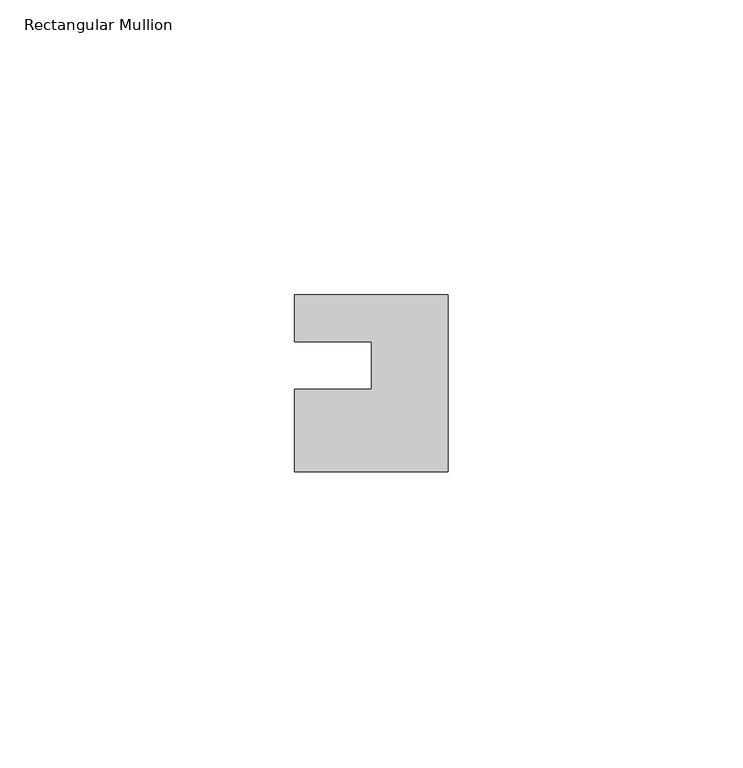
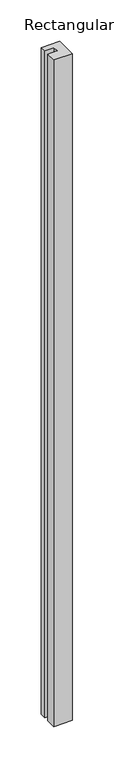
"""IFC4 building model written with IfcOpenShell, lengths in millimetres: member geometry, Rectangular Mullion."""

from ifc_helpers import new_model, si_unit, frame, origin, place, context, project, spatial, polyline, outline, extrude, source, transform, mapped, element, save


def rectangular_mullion_f5b78d87(model_context):
    return source(origin(), model_context, "Body", "SweptSolid", [
        extrude(outline(polyline([(-26.0, 0.001), (-26.0, 7.94), (0.0, 7.94), (0.0, -22.06), (-26.0, -22.06), (-26.0, -8.0), (-13.0, -8.0), (-13.0, 0.001), (-26.0, 0.001)])), frame((0.0, 0.0, -984.0), z_axis=(0.0, 0.0, 1.0), x_axis=(1.0, 0.0, 0.0)), (0.0, 0.0, 1.0), 984.0),
    ])


if __name__ == "__main__":
    model = new_model("IFC4")
    model_context = context("Model", 3, world=origin())
    ifc_project = project(units=[si_unit("LENGTHUNIT", "METRE", prefix="MILLI")], contexts=[model_context])
    site = spatial("IfcSite", under=ifc_project)
    building = spatial("IfcBuilding", under=site)
    placement = place(None, origin())
    rectangular_mullion_shape = rectangular_mullion_f5b78d87(model_context)
    element("IfcMember", 1, ObjectType="Rectangular Mullion", at=placement, inside=building, context=model_context, shape_type="MappedRepresentation", body=[
        mapped(rectangular_mullion_shape, transform((0.0, 0.0, 0.0), x_axis=(1.0, 0.0, 0.0), y_axis=(0.0, 1.0, 0.0), z_axis=(0.0, 0.0, 1.0))),
    ])
    save(model, "model.ifc")
